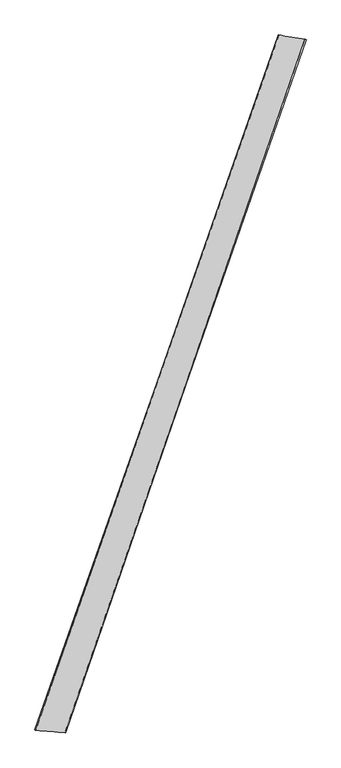
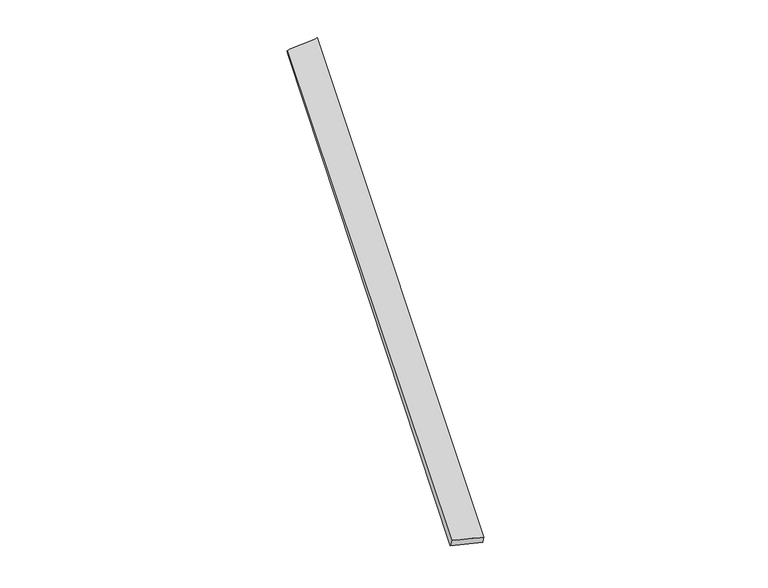
"""IFC4 building model written with IfcOpenShell, lengths in millimetres: proxy geometry."""

from ifc_helpers import new_model, si_unit, origin, place, context, project, spatial, source, transform, mapped, element, save
from ifc_brep_helpers import spline_surface, advanced_brep


def generic_models_696e23ee(model_context):
    return source(origin(), model_context, "Body", "AdvancedBrep", [
        advanced_brep(
        [(-701.6405089, -1777.4892893, 16.4012941), (-695.9734779, -1779.2317612, 45.8096016), (684.4844383, 2178.6670586, 11.566991), (690.7807797, 2176.1977903, -17.660715), (-527.0963858, -1792.3993321, 12.969471), (836.9093783, 2153.5476446, 46.9441918), (-532.5163657, -1790.2523245, -16.4586478), (843.3760949, 2151.5438236, 17.7180686)],
        [
            (0, 1),
            (1, 2),
            (2, 3),
            (3, 0),
            (1, 4),
            (4, 5),
            (5, 2),
            (4, 6),
            (6, 7),
            (7, 5),
            (6, 0),
            (3, 7),
        ],
        [
            spline_surface(1, 1, [[(-701.6405089, -1777.4892893, 16.4012941), (690.7807797, 2176.1977903, -17.660715)], [(-695.9734779, -1779.2317612, 45.8096016), (684.4844383, 2178.6670586, 11.566991)]], [2, 2], [2, 2], [0.0, 1.0], [0.0, 1.0]),
            spline_surface(1, 1, [[(-695.9734779, -1779.2317612, 45.8096016), (684.4844383, 2178.6670586, 11.566991)], [(-527.0963858, -1792.3993321, 12.969471), (836.9093783, 2153.5476446, 46.9441918)]], [2, 2], [2, 2], [0.0, 1.0], [0.0, 1.0]),
            spline_surface(1, 1, [[(-527.0963858, -1792.3993321, 12.969471), (836.9093783, 2153.5476446, 46.9441918)], [(-532.5163657, -1790.2523245, -16.4586478), (843.3760949, 2151.5438236, 17.7180686)]], [2, 2], [2, 2], [0.0, 1.0], [0.0, 1.0]),
            spline_surface(1, 1, [[(-532.5163657, -1790.2523245, -16.4586478), (843.3760949, 2151.5438236, 17.7180686)], [(-701.6405089, -1777.4892893, 16.4012941), (690.7807797, 2176.1977903, -17.660715)]], [2, 2], [2, 2], [0.0, 1.0], [0.0, 1.0]),
            spline_surface(1, 1, [[(684.4844383, 2178.6670586, 11.566991), (690.7807797, 2176.1977903, -17.660715)], [(836.9093783, 2153.5476446, 46.9441918), (843.3760949, 2151.5438236, 17.7180686)]], [2, 2], [2, 2], [0.0, 1.0], [0.0, 1.0]),
            spline_surface(1, 1, [[(-532.5163657, -1790.2523245, -16.4586478), (-701.6405089, -1777.4892893, 16.4012941)], [(-527.0963858, -1792.3993321, 12.969471), (-695.9734779, -1779.2317612, 45.8096016)]], [2, 2], [2, 2], [0.0, 1.0], [0.0, 1.0]),
        ],
        [
            (0, [[1, 2, 3, 4]]),
            (1, [[5, 6, 7, -2]]),
            (2, [[8, 9, 10, -6]]),
            (3, [[11, -4, 12, -9]]),
            (4, [[-3, -7, -10, -12]]),
            (5, [[-11, -8, -5, -1]]),
        ],
    ),
    ])


if __name__ == "__main__":
    model = new_model("IFC4")
    model_context = context("Model", 3, world=origin())
    ifc_project = project(units=[si_unit("LENGTHUNIT", "METRE", prefix="MILLI")], contexts=[model_context])
    site = spatial("IfcSite", under=ifc_project)
    building = spatial("IfcBuilding", under=site)
    placement = place(None, origin())
    generic_models_shape = generic_models_696e23ee(model_context)
    element("IfcBuildingElementProxy", 1, Name="Generic Models", at=placement, inside=building, context=model_context, shape_type="MappedRepresentation", body=[
        mapped(generic_models_shape, transform((0.0, 0.0, 0.0), x_axis=(1.0, 0.0, 0.0), y_axis=(0.0, 1.0, 0.0), z_axis=(0.0, 0.0, 1.0))),
    ])
    save(model, "model.ifc")
